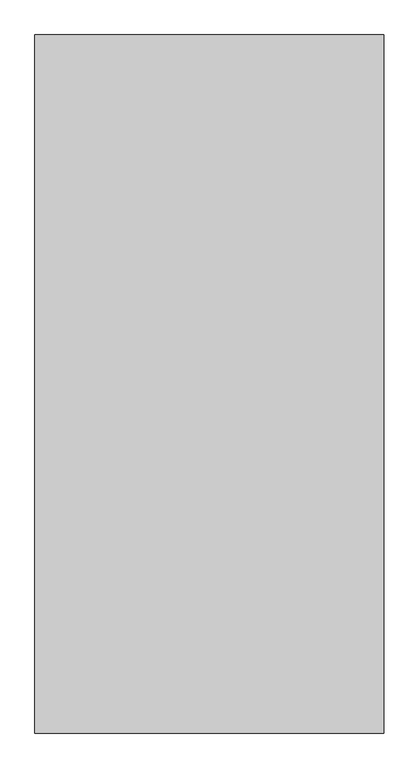
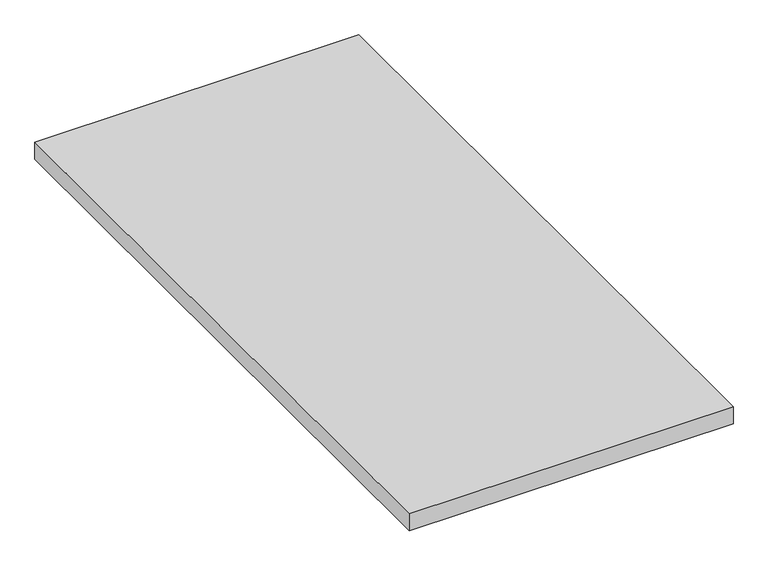
"""IFC4 building model written with IfcOpenShell, lengths in millimetres: proxy geometry."""

from ifc_helpers import new_model, si_unit, origin, origin_with_axes, place, context, project, spatial, polyline, outline, extrude, source, transform, mapped, element, save


def generic_models_77257592(model_context):
    return source(origin(), model_context, "Body", "SweptSolid", [
        extrude(outline(polyline([(914.4, 0.0), (914.4, -1828.8), (0.0, -1828.8), (0.0, 0.0), (914.4, 0.0)])), origin_with_axes(), (0.0, 0.0, 1.0), 50.8),
    ])


if __name__ == "__main__":
    model = new_model("IFC4")
    model_context = context("Model", 3, world=origin())
    ifc_project = project(units=[si_unit("LENGTHUNIT", "METRE", prefix="MILLI")], contexts=[model_context])
    site = spatial("IfcSite", under=ifc_project)
    building = spatial("IfcBuilding", under=site)
    placement = place(None, origin())
    generic_models_shape = generic_models_77257592(model_context)
    element("IfcBuildingElementProxy", 1, Name="Generic Models", at=placement, inside=building, context=model_context, shape_type="MappedRepresentation", body=[
        mapped(generic_models_shape, transform((0.0, 0.0, 0.0), x_axis=(1.0, 0.0, 0.0), y_axis=(0.0, 1.0, 0.0), z_axis=(0.0, 0.0, 1.0))),
    ])
    save(model, "model.ifc")
